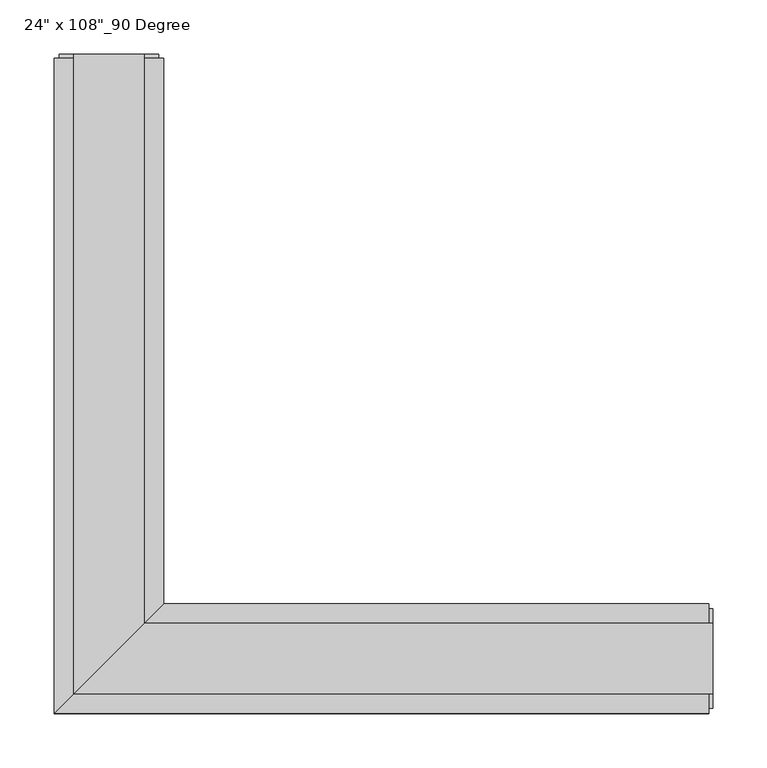
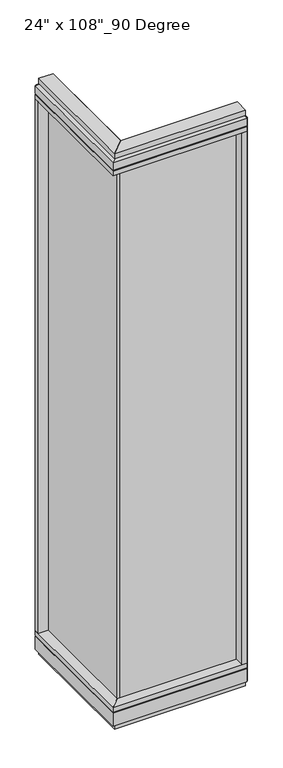
"""IFC4 building model written with IfcOpenShell, lengths in millimetres: furniture geometry."""

from ifc_helpers import new_model, si_unit, frame, origin, origin_with_axes, place, context, project, spatial, polyline, outline, extrude, faceted_brep, source, transform, mapped, element, save


def furniture_8009b2d0(model_context):
    return source(origin(), model_context, "Body", "SolidModel", [
        extrude(outline(polyline([(-319.1165229, 528.1202784), (-308.9565229, 528.1202784), (-308.9565229, -9.5977216), (-319.1165229, -9.5977216), (-319.1165229, 528.1202784)])), frame((0.0, 0.0, 120.523), z_axis=(0.0, 0.0, 1.0), x_axis=(1.0, 0.0, 0.0)), (0.0, 0.0, 1.0), 2533.777),
        extrude(outline(polyline([(-263.2365229, 550.3452784), (-263.2365229, 46.2822784), (-364.8365229, -55.3177216), (-364.8365229, 550.3452784), (-263.2365229, 550.3452784)])), frame((0.0, 0.0, 2654.3), z_axis=(0.0, 0.0, 1.0), x_axis=(1.0, 0.0, 0.0)), (0.0, 0.0, 1.0), 22.225),
        faceted_brep([(-263.2365229, 46.2822784, 2681.478), (-263.2365229, 46.2822784, 2717.8), (-364.8365229, -55.3177216, 2717.8), (-364.8365229, -55.3177216, 2681.478), (-359.8835229, -50.3647216, 2681.478), (-359.8835229, -50.3647216, 2676.525), (-268.1895229, 41.3292784, 2676.525), (-268.1895229, 41.3292784, 2681.478), (-263.2365229, 550.3452784, 2681.478), (-268.1895229, 550.3452784, 2681.478), (-268.1895229, 550.3452784, 2676.525), (-359.8835229, 550.3452784, 2676.525), (-359.8835229, 550.3452784, 2681.478), (-364.8365229, 550.3452784, 2681.478), (-364.8365229, 550.3452784, 2717.8), (-263.2365229, 550.3452784, 2717.8)], [[[0, 1, 2, 3, 4, 5, 6, 7]], [[8, 9, 10, 11, 12, 13, 14, 15]], [[8, 0, 7, 9]], [[13, 3, 2, 14]], [[14, 2, 1, 15]], [[15, 1, 0, 8]], [[9, 7, 6, 10]], [[10, 6, 5, 11]], [[11, 5, 4, 12]], [[12, 4, 3, 13]]]),
        extrude(outline(polyline([(-281.5245229, 554.2822784), (-281.5245229, 27.9942784), (-346.5485229, -37.0297216), (-346.5485229, 554.2822784), (-281.5245229, 554.2822784)])), frame((0.0, 0.0, 2717.8), z_axis=(0.0, 0.0, 1.0), x_axis=(1.0, 0.0, 0.0)), (0.0, 0.0, 1.0), 25.4),
        faceted_brep([(-268.1895229, 41.3292784, 93.345), (-268.1895229, 41.3292784, 98.298), (-359.8835229, -50.3647216, 98.298), (-359.8835229, -50.3647216, 93.345), (-364.8365229, -55.3177216, 93.345), (-364.8365229, -55.3177216, 31.75), (-263.2365229, 46.2822784, 31.75), (-263.2365229, 46.2822784, 93.345), (-263.2365229, 550.3452784, 93.345), (-263.2365229, 550.3452784, 31.75), (-364.8365229, 550.3452784, 31.75), (-364.8365229, 550.3452784, 93.345), (-359.8835229, 550.3452784, 93.345), (-359.8835229, 550.3452784, 98.298), (-268.1895229, 550.3452784, 98.298), (-268.1895229, 550.3452784, 93.345)], [[[0, 1, 2, 3, 4, 5, 6, 7]], [[8, 9, 10, 11, 12, 13, 14, 15]], [[15, 0, 7, 8]], [[10, 5, 4, 11]], [[9, 6, 5, 10]], [[8, 7, 6, 9]], [[14, 1, 0, 15]], [[13, 2, 1, 14]], [[12, 3, 2, 13]], [[11, 4, 3, 12]]]),
        extrude(outline(polyline([(-263.2365229, 550.3452784), (-263.2365229, 46.2822784), (-364.8365229, -55.3177216), (-364.8365229, 550.3452784), (-263.2365229, 550.3452784)])), frame((0.0, 0.0, 98.298), z_axis=(0.0, 0.0, 1.0), x_axis=(1.0, 0.0, 0.0)), (0.0, 0.0, 1.0), 22.225),
        extrude(outline(polyline([(-281.5245229, 554.2822784), (-281.5245229, 27.9942784), (-346.5485229, -37.0297216), (-346.5485229, 554.2822784), (-281.5245229, 554.2822784)])), origin_with_axes(), (0.0, 0.0, 1.0), 31.75),
        extrude(outline(polyline([(-364.8365229, 528.1202784), (-364.8365229, 550.3452784), (-263.2365229, 550.3452784), (-263.2365229, 528.1202784), (-364.8365229, 528.1202784)])), frame((0.0, 0.0, 120.523), z_axis=(0.0, 0.0, 1.0), x_axis=(1.0, 0.0, 0.0)), (0.0, 0.0, 1.0), 2533.777),
        extrude(outline(polyline([(-359.8835229, 554.2822784), (-268.1895229, 554.2822784), (-268.1895229, 550.3452784), (-359.8835229, 550.3452784), (-359.8835229, 554.2822784)])), frame((0.0, 0.0, 31.75), z_axis=(0.0, 0.0, 1.0), x_axis=(1.0, 0.0, 0.0)), (0.0, 0.0, 1.0), 2686.05),
        extrude(outline(polyline([(218.6014771, -9.5977216), (-319.1165229, -9.5977216), (-319.1165229, 0.5622784), (218.6014771, 0.5622784), (218.6014771, -9.5977216)])), frame((0.0, 0.0, 120.523), z_axis=(0.0, 0.0, 1.0), x_axis=(1.0, 0.0, 0.0)), (0.0, 0.0, 1.0), 2533.777),
        extrude(outline(polyline([(240.8264771, 46.2822784), (240.8264771, -55.3177216), (-364.8365229, -55.3177216), (-263.2365229, 46.2822784), (240.8264771, 46.2822784)])), frame((0.0, 0.0, 2654.3), z_axis=(0.0, 0.0, 1.0), x_axis=(1.0, 0.0, 0.0)), (0.0, 0.0, 1.0), 22.225),
        faceted_brep([(-263.2365229, 46.2822784, 2681.478), (-268.1895229, 41.3292784, 2681.478), (-268.1895229, 41.3292784, 2676.525), (-359.8835229, -50.3647216, 2676.525), (-359.8835229, -50.3647216, 2681.478), (-364.8365229, -55.3177216, 2681.478), (-364.8365229, -55.3177216, 2717.8), (-263.2365229, 46.2822784, 2717.8), (240.8264771, 46.2822784, 2681.478), (240.8264771, 46.2822784, 2717.8), (240.8264771, -55.3177216, 2717.8), (240.8264771, -55.3177216, 2681.478), (240.8264771, -50.3647216, 2681.478), (240.8264771, -50.3647216, 2676.525), (240.8264771, 41.3292784, 2676.525), (240.8264771, 41.3292784, 2681.478)], [[[0, 1, 2, 3, 4, 5, 6, 7]], [[8, 9, 10, 11, 12, 13, 14, 15]], [[8, 15, 1, 0]], [[11, 10, 6, 5]], [[10, 9, 7, 6]], [[9, 8, 0, 7]], [[15, 14, 2, 1]], [[14, 13, 3, 2]], [[13, 12, 4, 3]], [[12, 11, 5, 4]]]),
        extrude(outline(polyline([(244.7634771, 27.9942784), (244.7634771, -37.0297216), (-346.5485229, -37.0297216), (-281.5245229, 27.9942784), (244.7634771, 27.9942784)])), frame((0.0, 0.0, 2717.8), z_axis=(0.0, 0.0, 1.0), x_axis=(1.0, 0.0, 0.0)), (0.0, 0.0, 1.0), 25.4),
        faceted_brep([(-268.1895229, 41.3292784, 93.345), (-263.2365229, 46.2822784, 93.345), (-263.2365229, 46.2822784, 31.75), (-364.8365229, -55.3177216, 31.75), (-364.8365229, -55.3177216, 93.345), (-359.8835229, -50.3647216, 93.345), (-359.8835229, -50.3647216, 98.298), (-268.1895229, 41.3292784, 98.298), (240.8264771, 46.2822784, 93.345), (240.8264771, 41.3292784, 93.345), (240.8264771, 41.3292784, 98.298), (240.8264771, -50.3647216, 98.298), (240.8264771, -50.3647216, 93.345), (240.8264771, -55.3177216, 93.345), (240.8264771, -55.3177216, 31.75), (240.8264771, 46.2822784, 31.75)], [[[0, 1, 2, 3, 4, 5, 6, 7]], [[8, 9, 10, 11, 12, 13, 14, 15]], [[9, 8, 1, 0]], [[14, 13, 4, 3]], [[15, 14, 3, 2]], [[8, 15, 2, 1]], [[10, 9, 0, 7]], [[11, 10, 7, 6]], [[12, 11, 6, 5]], [[13, 12, 5, 4]]]),
        extrude(outline(polyline([(240.8264771, 46.2822784), (240.8264771, -55.3177216), (-364.8365229, -55.3177216), (-263.2365229, 46.2822784), (240.8264771, 46.2822784)])), frame((0.0, 0.0, 98.298), z_axis=(0.0, 0.0, 1.0), x_axis=(1.0, 0.0, 0.0)), (0.0, 0.0, 1.0), 22.225),
        extrude(outline(polyline([(244.7634771, 27.9942784), (244.7634771, -37.0297216), (-346.5485229, -37.0297216), (-281.5245229, 27.9942784), (244.7634771, 27.9942784)])), origin_with_axes(), (0.0, 0.0, 1.0), 31.75),
        extrude(outline(polyline([(218.6014771, -55.3177216), (218.6014771, 46.2822784), (240.8264771, 46.2822784), (240.8264771, -55.3177216), (218.6014771, -55.3177216)])), frame((0.0, 0.0, 120.523), z_axis=(0.0, 0.0, 1.0), x_axis=(1.0, 0.0, 0.0)), (0.0, 0.0, 1.0), 2533.777),
        extrude(outline(polyline([(244.7634771, -50.3647216), (240.8264771, -50.3647216), (240.8264771, 41.3292784), (244.7634771, 41.3292784), (244.7634771, -50.3647216)])), frame((0.0, 0.0, 31.75), z_axis=(0.0, 0.0, 1.0), x_axis=(1.0, 0.0, 0.0)), (0.0, 0.0, 1.0), 2686.05),
    ])


if __name__ == "__main__":
    model = new_model("IFC4")
    model_context = context("Model", 3, world=origin())
    ifc_project = project(units=[si_unit("LENGTHUNIT", "METRE", prefix="MILLI")], contexts=[model_context])
    site = spatial("IfcSite", under=ifc_project)
    building = spatial("IfcBuilding", under=site)
    placement = place(None, origin())
    furniture_shape = furniture_8009b2d0(model_context)
    element("IfcFurniture", 1, ObjectType="24\" x 108\"_90 Degree", at=placement, inside=building, context=model_context, shape_type="MappedRepresentation", body=[
        mapped(furniture_shape, transform((0.0, 0.0, 0.0), x_axis=(1.0, 0.0, 0.0), y_axis=(0.0, 1.0, 0.0), z_axis=(0.0, 0.0, 1.0))),
    ])
    save(model, "model.ifc")
